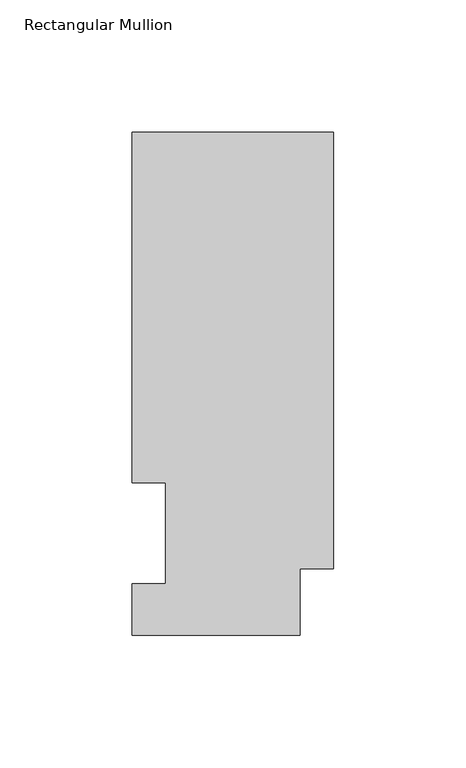
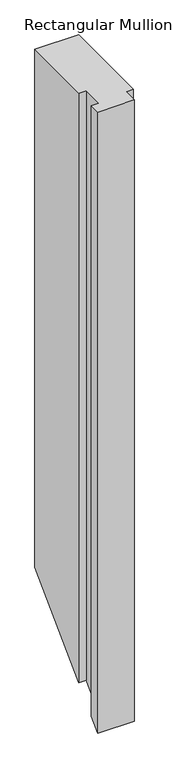
"""IFC4 building model written with IfcOpenShell, lengths in millimetres: member geometry, Rectangular Mullion."""

from ifc_helpers import new_model, si_unit, origin, place, context, project, spatial, faceted_brep, source, transform, mapped, element, save


def rectangular_mullion_7aaf812c(model_context):
    return source(origin(), model_context, "Body", "Brep", [
        faceted_brep([(0.0, 190.0816937, 0.0), (-76.2, 190.0816937, 0.0), (-76.2, 57.6460937, 0.0), (-63.5, 57.6460937, 0.0), (-63.5, 19.5460937, 0.0), (-76.2, 19.5460937, 0.0), (-76.2, 0.0134937, 0.0), (-12.7, 0.0134937, 0.0), (-12.7, 25.0832937, 0.0), (0.0, 25.0832937, 0.0), (0.0, 190.0816937, -952.4357063), (-76.2, 190.0816937, -952.4357063), (-76.2, 57.6460937, -1084.8713063), (-63.5, 57.6460937, -1084.8713063), (-63.5, 19.5460937, -1122.9713063), (-76.2, 19.5460937, -1122.9713063), (-76.2, 0.0134937, -1142.5039063), (-12.7, 0.0134937, -1142.5039063), (-12.7, 25.0832937, -1117.4341063), (0.0, 25.0832937, -1117.4341063)], [[[0, 1, 2, 3, 4, 5, 6, 7, 8, 9]], [[1, 0, 10, 11]], [[2, 1, 11, 12]], [[3, 2, 12, 13]], [[4, 3, 13, 14]], [[5, 4, 14, 15]], [[6, 5, 15, 16]], [[7, 6, 16, 17]], [[8, 7, 17, 18]], [[9, 8, 18, 19]], [[0, 9, 19, 10]], [[10, 19, 18, 17, 16, 15, 14, 13, 12, 11]]]),
    ])


if __name__ == "__main__":
    model = new_model("IFC4")
    model_context = context("Model", 3, world=origin())
    ifc_project = project(units=[si_unit("LENGTHUNIT", "METRE", prefix="MILLI")], contexts=[model_context])
    site = spatial("IfcSite", under=ifc_project)
    building = spatial("IfcBuilding", under=site)
    placement = place(None, origin())
    rectangular_mullion_shape = rectangular_mullion_7aaf812c(model_context)
    element("IfcMember", 1, ObjectType="Rectangular Mullion", at=placement, inside=building, context=model_context, shape_type="MappedRepresentation", body=[
        mapped(rectangular_mullion_shape, transform((0.0, 0.0, 0.0), x_axis=(1.0, 0.0, 0.0), y_axis=(0.0, 1.0, 0.0), z_axis=(0.0, 0.0, 1.0))),
    ])
    save(model, "model.ifc")
